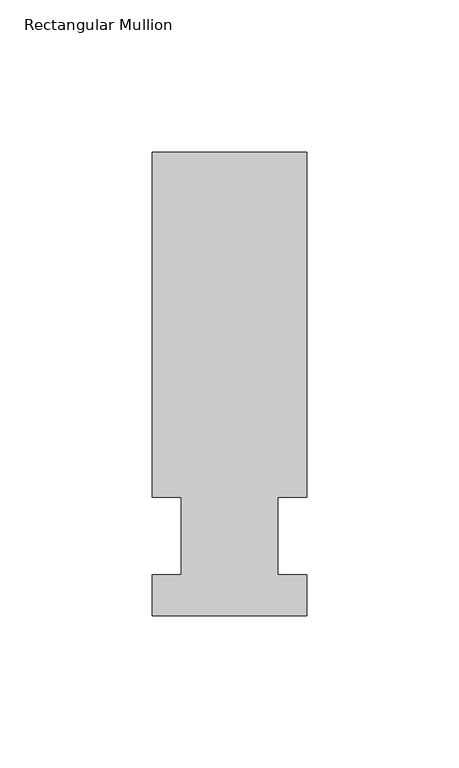
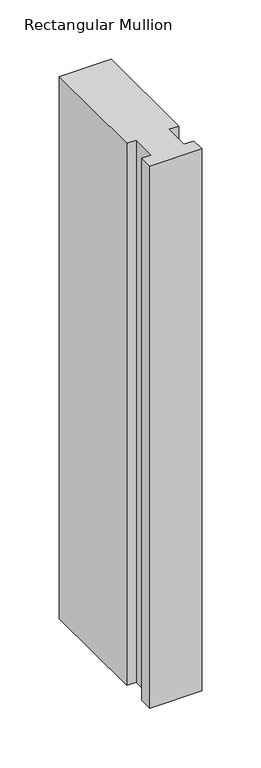
"""IFC4 building model written with IfcOpenShell, lengths in millimetres: member geometry, Rectangular Mullion."""

import ifcopenshell
import ifcopenshell.guid

model = None  # the IFC model being written
_history = None  # IfcOwnerHistory: only IFC2X3 demands one
_inside = {}  # id of a spatial element -> (the spatial element, [elements in it])
_under = {}  # id of a project, library or spatial element -> (it, [spatial elements below it])
_declared = {}  # id of a project -> (the project, [libraries it declares])
_typed = {}  # id of a type object -> (the type object, [elements of that type])
_made_of = {}  # id of a material, layer set ... -> (it, [elements and type objects made of it])


def new_model(schema):
    """Start an empty IFC model of exactly this schema.

    Asked for "IFC4X3", IfcOpenShell would pick the latest addendum, in which some entities
    have other attributes; the version numbers below select the first issue.
    IFC2X3 requires an IfcOwnerHistory on every rooted entity: one is made here for all.
    """
    global model, _history
    if schema == "IFC4X3":
        model = ifcopenshell.file(schema_version=(4, 3, 0, 0))
    else:
        model = ifcopenshell.file(schema=schema)
    _inside.clear()
    _under.clear()
    _declared.clear()
    _typed.clear()
    _made_of.clear()
    _history = None
    if model.schema == "IFC2X3":
        org = make("IfcOrganization", Name="unknown")
        user = make(
            "IfcPersonAndOrganization",
            ThePerson=make("IfcPerson", FamilyName="unknown"),
            TheOrganization=org,
        )
        app = make(
            "IfcApplication",
            ApplicationDeveloper=org,
            Version="unknown",
            ApplicationFullName="unknown",
            ApplicationIdentifier="unknown",
        )
        _history = make(
            "IfcOwnerHistory",
            OwningUser=user,
            OwningApplication=app,
            ChangeAction="ADDED",
            CreationDate=0,
        )
    return model


def make(cls, **values):
    """One entity of the class cls with the attributes given. An attribute that is None is left unset."""
    return model.create_entity(
        cls, **{name: value for name, value in values.items() if value is not None}
    )


def rooted(cls, **values):
    """An entity with a GlobalId (a new one), such as an element, a storey or a relation."""
    return make(cls, GlobalId=ifcopenshell.guid.new(), OwnerHistory=_history, **values)


def si_unit(unit_type, name, prefix=None):
    """IfcSIUnit, for example si_unit("LENGTHUNIT", "METRE", prefix="MILLI")."""
    return make("IfcSIUnit", UnitType=unit_type, Prefix=prefix, Name=name)


def assignment(units):
    """IfcUnitAssignment: the units of a project."""
    return None if units is None else make("IfcUnitAssignment", Units=units)


def point(xyz):
    """IfcCartesianPoint."""
    return None if xyz is None else make("IfcCartesianPoint", Coordinates=xyz)


def direction(xyz):
    """IfcDirection."""
    return None if xyz is None else make("IfcDirection", DirectionRatios=xyz)


def frame(location, z_axis=None, x_axis=None):
    """IfcAxis2Placement3D, a coordinate frame: its origin and axes. An axis left out is left unset."""
    return make(
        "IfcAxis2Placement3D",
        Location=point(location),
        Axis=direction(z_axis),
        RefDirection=direction(x_axis),
    )


def origin():
    """The frame at (0, 0, 0) with its axes left unset."""
    return frame((0.0, 0.0, 0.0))


def place(relative_to, where):
    """IfcLocalPlacement: puts the frame where relative to a parent placement (None: the world)."""
    return make(
        "IfcLocalPlacement", PlacementRelTo=relative_to, RelativePlacement=where
    )


def context(
    kind, dimensions, precision=None, world=None, true_north=None, identifier=None
):
    """IfcGeometricRepresentationContext, for example the 3D "Model" context."""
    return make(
        "IfcGeometricRepresentationContext",
        ContextIdentifier=identifier,
        ContextType=kind,
        CoordinateSpaceDimension=dimensions,
        Precision=precision,
        WorldCoordinateSystem=world,
        TrueNorth=true_north,
    )


def project(units=None, contexts=None):
    """IfcProject with its units and contexts."""
    return rooted(
        "IfcProject",
        Name="project",
        RepresentationContexts=contexts,
        UnitsInContext=assignment(units),
    )


def spatial(cls, under=None, at=None, **own):
    """A site, building, storey or space (cls), placed at a placement, below another one or the project."""
    s = rooted(cls, ObjectPlacement=at, **own)
    if under is not None:
        _under.setdefault(under.id(), (under, []))[1].append(s)
    return s


def polyline(points):
    """IfcPolyline through the points."""
    return make("IfcPolyline", Points=[point(p) for p in points])


def outline(outer, holes=None, kind="AREA"):
    """IfcArbitraryClosedProfileDef: a profile drawn as a closed curve; with holes, ...WithVoids."""
    if holes is None:
        return make("IfcArbitraryClosedProfileDef", ProfileType=kind, OuterCurve=outer)
    return make(
        "IfcArbitraryProfileDefWithVoids",
        ProfileType=kind,
        OuterCurve=outer,
        InnerCurves=holes,
    )


def extrude(swept, where, along, depth):
    """IfcExtrudedAreaSolid: the profile swept, set in the frame where, extruded along a direction by depth."""
    return make(
        "IfcExtrudedAreaSolid",
        SweptArea=swept,
        Position=where,
        ExtrudedDirection=direction(along),
        Depth=depth,
    )


def shape(context_of_items, identifier, shape_type, items):
    """IfcShapeRepresentation: the items that make up one representation, for example the "Body"."""
    return make(
        "IfcShapeRepresentation",
        ContextOfItems=context_of_items,
        RepresentationIdentifier=identifier,
        RepresentationType=shape_type,
        Items=items,
    )


def source(mapping_origin, context_of_items, identifier, shape_type, items):
    """IfcRepresentationMap: a shape defined once, which mapped items show again and again."""
    return make(
        "IfcRepresentationMap",
        MappingOrigin=mapping_origin,
        MappedRepresentation=shape(context_of_items, identifier, shape_type, items),
    )


def transform(
    local_origin,
    x_axis=None,
    y_axis=None,
    z_axis=None,
    scale=None,
    scale2=None,
    scale3=None,
    uniform=True,
):
    """IfcCartesianTransformationOperator3D, or its non-uniform kind. x_axis, y_axis, z_axis: its Axis1, 2, 3."""
    if uniform:
        return make(
            "IfcCartesianTransformationOperator3D",
            Axis1=direction(x_axis),
            Axis2=direction(y_axis),
            LocalOrigin=point(local_origin),
            Scale=scale,
            Axis3=direction(z_axis),
        )
    return make(
        "IfcCartesianTransformationOperator3DnonUniform",
        Axis1=direction(x_axis),
        Axis2=direction(y_axis),
        LocalOrigin=point(local_origin),
        Scale=scale,
        Axis3=direction(z_axis),
        Scale2=scale2,
        Scale3=scale3,
    )


def mapped(mapping_source, mapping_target):
    """IfcMappedItem: shows the shape of a source again, moved by a transform."""
    return make(
        "IfcMappedItem", MappingSource=mapping_source, MappingTarget=mapping_target
    )


def made_of(thing, what):
    """Note that an element or type object is made of a material, layer set ...; save() writes the relation."""
    if what is not None:
        _made_of.setdefault(what.id(), (what, []))[1].append(thing)
    return thing


def element(
    cls,
    number,
    at=None,
    inside=None,
    cuts=None,
    type_object=None,
    material=None,
    context=None,
    identifier="Body",
    shape_type=None,
    held_by="IfcProductDefinitionShape",
    body=None,
    shapes=None,
    **own,
):
    """One element of the class cls, such as IfcWall. Its Tag is "e" and its number.

    at: its placement. inside: the storey or other place that contains it. cuts: it is an
    opening in that element (IfcRelVoidsElement). A single representation is given by context,
    identifier, shape_type and body (its items); several are given by shapes. held_by: the class
    of the entity that holds the representations. save() writes the other relations.
    """
    e = rooted(cls, Tag="e%d" % number, ObjectPlacement=at, **own)
    if body is not None:
        shapes = [shape(context, identifier, shape_type, body)]
    if shapes is not None:
        e.Representation = make(held_by, Representations=shapes)
    if inside is not None:
        _inside.setdefault(inside.id(), (inside, []))[1].append(e)
    if cuts is not None:
        rooted(
            "IfcRelVoidsElement", RelatingBuildingElement=cuts, RelatedOpeningElement=e
        )
    if type_object is not None:
        _typed.setdefault(type_object.id(), (type_object, []))[1].append(e)
    return made_of(e, material)


def aggregate(whole, parts):
    """IfcRelAggregates: a whole, such as a stair, and the parts it consists of."""
    return rooted("IfcRelAggregates", RelatingObject=whole, RelatedObjects=parts)


def save(model, path):
    """Write the relations noted so far, then the file.

    IfcRelAggregates (storeys below a building ...), IfcRelContainedInSpatialStructure (elements
    in a storey), IfcRelDefinesByType, IfcRelAssociatesMaterial and IfcRelDeclares: one each for
    every whole, place, type object, material and project.
    """
    for whole, parts in _under.values():
        aggregate(whole, parts)
    for where, things in _inside.values():
        rooted(
            "IfcRelContainedInSpatialStructure",
            RelatedElements=things,
            RelatingStructure=where,
        )
    for kind, things in _typed.values():
        rooted("IfcRelDefinesByType", RelatedObjects=things, RelatingType=kind)
    for what, things in _made_of.values():
        rooted("IfcRelAssociatesMaterial", RelatedObjects=things, RelatingMaterial=what)
    for by, libraries in _declared.values():
        rooted("IfcRelDeclares", RelatingContext=by, RelatedDefinitions=libraries)
    model.write(path)


def rectangular_mullion_f3cb0041(model_context):
    return source(origin(), model_context, "Body", "SweptSolid", [
        extrude(outline(polyline([(-25.4, -26.19375), (-25.4, -12.7), (-15.875, -12.7), (-15.875, 12.7), (-25.4, 12.7), (-25.4, 126.20625), (25.4, 126.20625), (25.4, 12.7), (15.875, 12.7), (15.875, -12.7), (25.4, -12.7), (25.4, -26.19375), (-25.4, -26.19375)])), frame((0.0, 0.0, -558.8), z_axis=(0.0, 0.0, 1.0), x_axis=(1.0, 0.0, 0.0)), (0.0, 0.0, 1.0), 558.8),
    ])


if __name__ == "__main__":
    model = new_model("IFC4")
    model_context = context("Model", 3, world=origin())
    ifc_project = project(units=[si_unit("LENGTHUNIT", "METRE", prefix="MILLI")], contexts=[model_context])
    site = spatial("IfcSite", under=ifc_project)
    building = spatial("IfcBuilding", under=site)
    placement = place(None, origin())
    rectangular_mullion_shape = rectangular_mullion_f3cb0041(model_context)
    element("IfcMember", 1, ObjectType="Rectangular Mullion", at=placement, inside=building, context=model_context, shape_type="MappedRepresentation", body=[
        mapped(rectangular_mullion_shape, transform((0.0, 0.0, 0.0), x_axis=(1.0, 0.0, 0.0), y_axis=(0.0, 1.0, 0.0), z_axis=(0.0, 0.0, 1.0))),
    ])
    save(model, "model.ifc")
